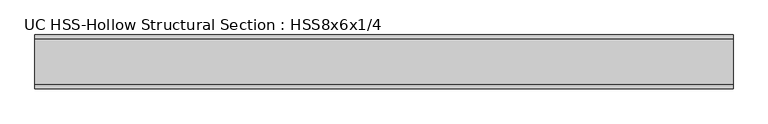
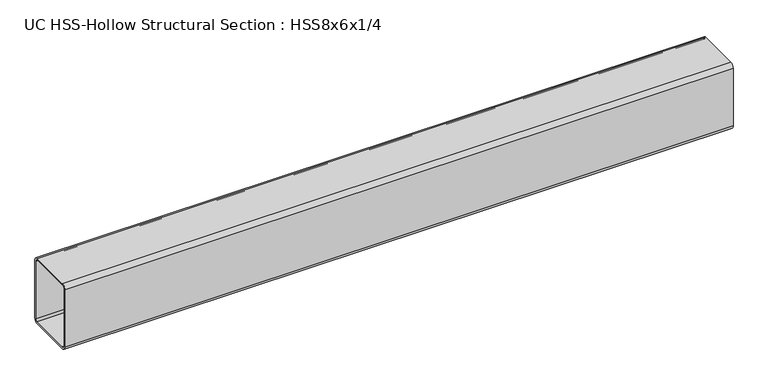
"""IFC4 building model written with IfcOpenShell, lengths in millimetres: beam geometry, UC HSS-Hollow Structural Section : HSS8x6x1/4."""

from ifc_helpers import new_model, si_unit, point, frame, frame_2d, origin, place, context, project, spatial, polyline, circle_curve, trimmed, segment, composite_curve, outline, extrude, source, transform, mapped, element, save


def uc_hss_hollow_structural_section_hss8x6x1_4_a42cc37c(model_context):
    return source(origin(), model_context, "Body", "SweptSolid", [
        extrude(outline(composite_curve([segment(trimmed(circle_curve(frame_2d((-64.3636, 89.7636)), 11.8364), [point((-76.2, 89.7636))], [point((-64.3636, 101.6))], False, "CARTESIAN"), True, "CONTINUOUS"), segment(polyline([(-64.3636, 101.6), (64.3636, 101.6)]), True, "CONTINUOUS"), segment(trimmed(circle_curve(frame_2d((64.3636, 89.7636)), 11.8364), [point((64.3636, 101.6))], [point((76.2, 89.7636))], False, "CARTESIAN"), True, "CONTINUOUS"), segment(polyline([(76.2, 89.7636), (76.2, -89.7636)]), True, "CONTINUOUS"), segment(trimmed(circle_curve(frame_2d((64.3636, -89.7636)), 11.8364), [point((76.2, -89.7636))], [point((64.3636, -101.6))], False, "CARTESIAN"), True, "CONTINUOUS"), segment(polyline([(64.3636, -101.6), (-64.3636, -101.6)]), True, "CONTINUOUS"), segment(trimmed(circle_curve(frame_2d((-64.3636, -89.7636)), 11.8364), [point((-64.3636, -101.6))], [point((-76.2, -89.7636))], False, "CARTESIAN"), True, "CONTINUOUS"), segment(polyline([(-76.2, -89.7636), (-76.2, 89.7636)]), True, "CONTINUOUS")], self_intersect=False), holes=[composite_curve([segment(polyline([(64.3636, 95.6818), (-64.3636, 95.6818)]), True, "CONTINUOUS"), segment(trimmed(circle_curve(frame_2d((-64.3636, 89.7636)), 5.9182), [point((-64.3636, 95.6818))], [point((-70.2818, 89.7636))], True, "CARTESIAN"), True, "CONTINUOUS"), segment(polyline([(-70.2818, 89.7636), (-70.2818, -89.7636)]), True, "CONTINUOUS"), segment(trimmed(circle_curve(frame_2d((-64.3636, -89.7636)), 5.9182), [point((-70.2818, -89.7636))], [point((-64.3636, -95.6818))], True, "CARTESIAN"), True, "CONTINUOUS"), segment(polyline([(-64.3636, -95.6818), (64.3636, -95.6818)]), True, "CONTINUOUS"), segment(trimmed(circle_curve(frame_2d((64.3636, -89.7636)), 5.9182), [point((64.3636, -95.6818))], [point((70.2818, -89.7636))], True, "CARTESIAN"), True, "CONTINUOUS"), segment(polyline([(70.2818, -89.7636), (70.2818, 89.7636)]), True, "CONTINUOUS"), segment(trimmed(circle_curve(frame_2d((64.3636, 89.7636)), 5.9182), [point((70.2818, 89.7636))], [point((64.3636, 95.6818))], True, "CARTESIAN"), True, "CONTINUOUS")], self_intersect=False)]), frame((-699.2084669, 0.0, 0.0), z_axis=(1.0, 0.0, 0.0), x_axis=(0.0, 1.0, 0.0)), (0.0, 0.0, 1.0), 1970.6296249),
    ])


if __name__ == "__main__":
    model = new_model("IFC4")
    model_context = context("Model", 3, world=origin())
    ifc_project = project(units=[si_unit("LENGTHUNIT", "METRE", prefix="MILLI")], contexts=[model_context])
    site = spatial("IfcSite", under=ifc_project)
    building = spatial("IfcBuilding", under=site)
    placement = place(None, origin())
    uc_hss_hollow_structural_section_hss8x6x1_4_shape = uc_hss_hollow_structural_section_hss8x6x1_4_a42cc37c(model_context)
    element("IfcBeam", 1, ObjectType="UC HSS-Hollow Structural Section : HSS8x6x1/4", at=placement, inside=building, context=model_context, shape_type="MappedRepresentation", body=[
        mapped(uc_hss_hollow_structural_section_hss8x6x1_4_shape, transform((0.0, 0.0, 0.0), x_axis=(1.0, 0.0, 0.0), y_axis=(0.0, 1.0, 0.0), z_axis=(0.0, 0.0, 1.0))),
    ])
    save(model, "model.ifc")
